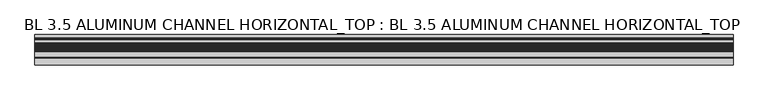
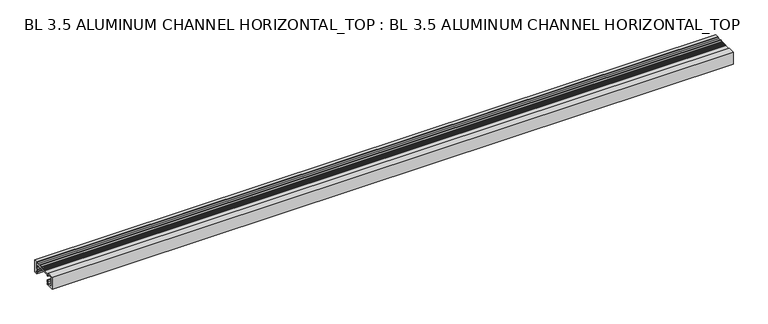
"""IFC4 building model written with IfcOpenShell, lengths in millimetres: furniture geometry, BL 3.5 ALUMINUM CHANNEL HORIZONTAL_TOP : BL 3.5 ALUMINUM CHANNEL HORIZONTAL_TOP."""

from ifc_helpers import new_model, si_unit, point, frame, frame_2d, origin, place, context, project, spatial, polyline, circle_curve, trimmed, segment, composite_curve, outline, extrude, source, transform, mapped, element, save
from ifc_brep_helpers import plane_surface, cylinder_surface, revolved_surface, advanced_brep


def bl_3_5_aluminum_channel_horizontal_top_bl_3_5_aluminum_7e82f569(model_context):
    return source(origin(), model_context, "Body", "SolidModel", [
        extrude(outline(composite_curve([segment(polyline([(44.4595257, 38.1000034), (44.4595257, 0.0), (34.9345249, 0.0), (34.9345249, 4.7625004), (35.8453962, 4.7625004)]), True, "CONTINUOUS"), segment(trimmed(circle_curve(frame_2d((35.8453962, 5.2907962)), 0.5282958), [point((35.8453962, 4.7625004))], [point((36.3579184, 5.4189267))], True, "CARTESIAN"), True, "CONTINUOUS"), segment(polyline([(36.3579184, 5.4189267), (34.9345249, 11.112501), (34.9345249, 15.8198414), (31.7362356, 15.8198414), (31.7362356, 22.169842), (33.3470247, 22.169842), (33.3470247, 17.4073416), (38.1095251, 17.4073416), (38.1095251, 34.9250031), (34.9345249, 38.1000034), (44.4595257, 38.1000034)]), True, "CONTINUOUS")], self_intersect=False)), frame((-1016.0, 0.0, 0.0), z_axis=(1.0, 0.0, 0.0), x_axis=(0.0, 1.0, 0.0)), (0.0, 0.0, 1.0), 2032.0),
        advanced_brep(
        [(1016.0, 32.1005075, 30.3384817), (1016.0, 34.2751275, 22.2226893), (1016.0, 34.0655108, 21.4473987), (1016.0, 38.090475, 19.7695416), (1016.0, 38.1095251, 34.9250031), (1016.0, 34.9345249, 38.1000034), (1016.0, 31.7796548, 38.1000034), (1016.0, 30.0393701, 35.0857417), (1016.0, 20.7415796, 35.0857417), (1016.0, 19.0012949, 38.1000034), (1016.0, 15.5906041, 38.1000034), (1016.0, 12.9324358, 35.4418351), (1016.0, 12.225329, 35.4418351), (1016.0, 11.3449358, 36.3222283), (1016.0, 10.637829, 36.3222283), (1016.0, 9.7574358, 35.4418351), (1016.0, 9.050329, 35.4418351), (1016.0, 8.1699358, 36.3222283), (1016.0, 7.462829, 36.3222283), (1016.0, 6.5824358, 35.4418351), (1016.0, 5.875329, 35.4418351), (1016.0, 4.9949358, 36.3222283), (1016.0, 4.287829, 36.3222283), (1016.0, 3.4074358, 35.4418351), (1016.0, 2.700329, 35.4418351), (1016.0, 1.8199357, 36.3222284), (1016.0, 1.112829, 36.3222284), (1016.0, 0.2324357, 35.4418351), (1016.0, -0.4746711, 35.4418351), (1016.0, -1.3550643, 36.3222283), (1016.0, -2.0621711, 36.3222283), (1016.0, -2.9425643, 35.4418351), (1016.0, -3.6496711, 35.4418351), (1016.0, -4.5300643, 36.3222283), (1016.0, -5.2371711, 36.3222283), (1016.0, -6.0204007, 35.5389988), (1016.0, -6.7275074, 35.2461056), (1016.0, -21.6536732, 35.2461056), (1016.0, -24.507571, 38.1000034), (1016.0, -44.4595257, 38.1000034), (1016.0, -44.4595257, 0.0), (1016.0, -19.5595255, 0.0), (1016.0, -19.0595255, 0.5), (1016.0, -19.0595255, 2.1927415), (1016.0, -20.2406255, 2.8746499), (1016.0, -21.6630255, 2.0534268), (1016.0, -22.2345255, 2.3833825), (1016.0, -22.2345255, 7.0059004), (1016.0, -21.6630255, 7.3358561), (1016.0, -20.2406255, 6.5146331), (1016.0, -19.0595255, 7.1965415), (1016.0, -19.0595255, 14.2069416), (1016.0, -22.3615255, 14.2069416), (1016.0, -25.4095256, 11.1589415), (1016.0, -25.4095256, 4.6819415), (1016.0, -38.9032757, 4.6819415), (1016.0, -38.9032757, 33.2823417), (1016.0, -25.4095256, 33.2823417), (1016.0, -25.4095256, 29.9803417), (1016.0, -22.3615255, 26.9323417), (1016.0, -19.0595255, 26.9323417), (1016.0, -19.0595255, 30.3384817), (-1016.0, 32.1005075, 30.3384817), (-1016.0, -19.0595255, 30.3384817), (-1016.0, -19.0595255, 26.9323417), (-1016.0, -22.3615255, 26.9323417), (-1016.0, -25.4095256, 29.9803417), (-1016.0, -25.4095256, 33.2823417), (-1016.0, -38.9032757, 33.2823417), (-1016.0, -38.9032757, 4.6819415), (-1016.0, -25.4095256, 4.6819415), (-1016.0, -25.4095256, 11.1589415), (-1016.0, -22.3615255, 14.2069416), (-1016.0, -19.0595255, 14.2069416), (-1016.0, -19.0595255, 7.1965415), (-1016.0, -20.2406255, 6.5146331), (-1016.0, -21.6630255, 7.3358561), (-1016.0, -22.2345255, 7.0059004), (-1016.0, -22.2345255, 2.3833825), (-1016.0, -21.6630255, 2.0534268), (-1016.0, -20.2406255, 2.8746499), (-1016.0, -19.0595255, 2.1927415), (-1016.0, -19.0595255, 0.5), (-1016.0, -19.5595255, 0.0), (-1016.0, -44.4595257, 0.0), (-1016.0, -44.4595257, 38.1000034), (-1016.0, -24.507571, 38.1000034), (-1016.0, -21.6536732, 35.2461056), (-1016.0, -6.7275074, 35.2461056), (-1016.0, -6.0204007, 35.5389988), (-1016.0, -5.2371711, 36.3222283), (-1016.0, -4.5300643, 36.3222283), (-1016.0, -3.6496711, 35.4418351), (-1016.0, -2.9425643, 35.4418351), (-1016.0, -2.0621711, 36.3222283), (-1016.0, -1.3550643, 36.3222283), (-1016.0, -0.4746711, 35.4418351), (-1016.0, 0.2324357, 35.4418351), (-1016.0, 1.112829, 36.3222284), (-1016.0, 1.8199357, 36.3222284), (-1016.0, 2.700329, 35.4418351), (-1016.0, 3.4074358, 35.4418351), (-1016.0, 4.287829, 36.3222283), (-1016.0, 4.9949358, 36.3222283), (-1016.0, 5.875329, 35.4418351), (-1016.0, 6.5824358, 35.4418351), (-1016.0, 7.462829, 36.3222283), (-1016.0, 8.1699358, 36.3222283), (-1016.0, 9.050329, 35.4418351), (-1016.0, 9.7574358, 35.4418351), (-1016.0, 10.637829, 36.3222283), (-1016.0, 11.3449358, 36.3222283), (-1016.0, 12.225329, 35.4418351), (-1016.0, 12.9324358, 35.4418351), (-1016.0, 15.5906041, 38.1000034), (-1016.0, 19.0012949, 38.1000034), (-1016.0, 20.7415796, 35.0857417), (-1016.0, 30.0393701, 35.0857417), (-1016.0, 31.7796548, 38.1000034), (-1016.0, 34.9345249, 38.1000034), (-1016.0, 38.1095251, 34.9250031), (-1016.0, 38.1095251, 19.7695416), (-1016.0, 34.0655108, 21.4473987), (-1016.0, 34.2751275, 22.2226893)],
        [
            (0, 1),
            (1, 2, circle_curve(frame((1016.0, 33.5023869, 22.0156341), z_axis=(-1.0, 0.0, 0.0), x_axis=(0.0, 0.0, 1.0)), 0.8)),
            (2, 3, circle_curve(frame((1016.0, 35.7282749, 19.7695416), z_axis=(1.0, 0.0, 0.0), x_axis=(0.0, 0.0, 1.0)), 2.3622)),
            (3, 4),
            (4, 5),
            (5, 6),
            (6, 7),
            (7, 8),
            (8, 9),
            (9, 10),
            (10, 11),
            (11, 12, circle_curve(frame((1016.0, 12.5788824, 35.7953885), z_axis=(-1.0, 0.0, 0.0), x_axis=(0.0, 0.0, 1.0)), 0.5)),
            (12, 13),
            (13, 14, circle_curve(frame((1016.0, 10.9913824, 35.968675), z_axis=(1.0, 0.0, 0.0), x_axis=(0.0, 0.0, 1.0)), 0.5)),
            (14, 15),
            (15, 16, circle_curve(frame((1016.0, 9.4038824, 35.7953885), z_axis=(-1.0, 0.0, 0.0), x_axis=(0.0, 0.0, 1.0)), 0.5)),
            (16, 17),
            (17, 18, circle_curve(frame((1016.0, 7.8163824, 35.968675), z_axis=(1.0, 0.0, 0.0), x_axis=(0.0, 0.0, 1.0)), 0.5)),
            (18, 19),
            (19, 20, circle_curve(frame((1016.0, 6.2288824, 35.7953885), z_axis=(-1.0, 0.0, 0.0), x_axis=(0.0, 0.0, 1.0)), 0.5)),
            (20, 21),
            (21, 22, circle_curve(frame((1016.0, 4.6413824, 35.968675), z_axis=(1.0, 0.0, 0.0), x_axis=(0.0, 0.0, 1.0)), 0.5)),
            (22, 23),
            (23, 24, circle_curve(frame((1016.0, 3.0538824, 35.7953885), z_axis=(-1.0, 0.0, 0.0), x_axis=(0.0, 0.0, 1.0)), 0.5)),
            (24, 25),
            (25, 26, circle_curve(frame((1016.0, 1.4663823, 35.968675), z_axis=(1.0, 0.0, 0.0), x_axis=(0.0, 0.0, 1.0)), 0.5)),
            (26, 27),
            (27, 28, circle_curve(frame((1016.0, -0.1211177, 35.7953885), z_axis=(-1.0, 0.0, 0.0), x_axis=(0.0, 0.0, 1.0)), 0.5)),
            (28, 29),
            (29, 30, circle_curve(frame((1016.0, -1.7086177, 35.968675), z_axis=(1.0, 0.0, 0.0), x_axis=(0.0, 0.0, 1.0)), 0.5)),
            (30, 31),
            (31, 32, circle_curve(frame((1016.0, -3.2961177, 35.7953885), z_axis=(-1.0, 0.0, 0.0), x_axis=(0.0, 0.0, 1.0)), 0.5)),
            (32, 33),
            (33, 34, circle_curve(frame((1016.0, -4.8836177, 35.968675), z_axis=(1.0, 0.0, 0.0), x_axis=(0.0, 0.0, 1.0)), 0.5)),
            (34, 35),
            (35, 36, circle_curve(frame((1016.0, -6.7275074, 36.2461056), z_axis=(-1.0, 0.0, 0.0), x_axis=(0.0, 0.0, 1.0)), 1.0)),
            (36, 37),
            (37, 38),
            (38, 39),
            (39, 40),
            (40, 41),
            (41, 42, circle_curve(frame((1016.0, -19.5595255, 0.5), z_axis=(1.0, 0.0, 0.0), x_axis=(0.0, 0.0, 1.0)), 0.5)),
            (42, 43),
            (43, 44, circle_curve(frame((1016.0, -19.8469255, 2.1927415), z_axis=(1.0, 0.0, 0.0), x_axis=(0.0, 0.0, 1.0)), 0.7874)),
            (44, 45),
            (45, 46, circle_curve(frame((1016.0, -21.8535255, 2.3833825), z_axis=(-1.0, 0.0, 0.0), x_axis=(0.0, 0.0, 1.0)), 0.381)),
            (46, 47),
            (47, 48, circle_curve(frame((1016.0, -21.8535255, 7.0059004), z_axis=(-1.0, 0.0, 0.0), x_axis=(0.0, 0.0, 1.0)), 0.381)),
            (48, 49),
            (49, 50, circle_curve(frame((1016.0, -19.8469255, 7.1965415), z_axis=(1.0, 0.0, 0.0), x_axis=(0.0, 0.0, 1.0)), 0.7874)),
            (50, 51),
            (51, 52),
            (52, 53),
            (53, 54),
            (54, 55),
            (55, 56),
            (56, 57),
            (57, 58),
            (58, 59),
            (59, 60),
            (60, 61),
            (61, 0),
            (62, 63),
            (63, 64),
            (64, 65),
            (65, 66),
            (66, 67),
            (67, 68),
            (68, 69),
            (69, 70),
            (70, 71),
            (71, 72),
            (72, 73),
            (73, 74),
            (74, 75, circle_curve(frame((-1016.0, -19.8469255, 7.1965415), z_axis=(-1.0, 0.0, 0.0), x_axis=(0.0, 0.0, 1.0)), 0.7874)),
            (75, 76),
            (76, 77, circle_curve(frame((-1016.0, -21.8535255, 7.0059004), z_axis=(1.0, 0.0, 0.0), x_axis=(0.0, 0.0, 1.0)), 0.381)),
            (77, 78),
            (78, 79, circle_curve(frame((-1016.0, -21.8535255, 2.3833825), z_axis=(1.0, 0.0, 0.0), x_axis=(0.0, 0.0, 1.0)), 0.381)),
            (79, 80),
            (80, 81, circle_curve(frame((-1016.0, -19.8469255, 2.1927415), z_axis=(-1.0, 0.0, 0.0), x_axis=(0.0, 0.0, 1.0)), 0.7874)),
            (81, 82),
            (82, 83, circle_curve(frame((-1016.0, -19.5595255, 0.5), z_axis=(-1.0, 0.0, 0.0), x_axis=(0.0, 0.0, 1.0)), 0.5)),
            (83, 84),
            (84, 85),
            (85, 86),
            (86, 87),
            (87, 88),
            (88, 89, circle_curve(frame((-1016.0, -6.7275074, 36.2461056), z_axis=(1.0, 0.0, 0.0), x_axis=(0.0, 0.0, 1.0)), 1.0)),
            (89, 90),
            (90, 91, circle_curve(frame((-1016.0, -4.8836177, 35.968675), z_axis=(-1.0, 0.0, 0.0), x_axis=(0.0, 0.0, 1.0)), 0.5)),
            (91, 92),
            (92, 93, circle_curve(frame((-1016.0, -3.2961177, 35.7953885), z_axis=(1.0, 0.0, 0.0), x_axis=(0.0, 0.0, 1.0)), 0.5)),
            (93, 94),
            (94, 95, circle_curve(frame((-1016.0, -1.7086177, 35.968675), z_axis=(-1.0, 0.0, 0.0), x_axis=(0.0, 0.0, 1.0)), 0.5)),
            (95, 96),
            (96, 97, circle_curve(frame((-1016.0, -0.1211177, 35.7953885), z_axis=(1.0, 0.0, 0.0), x_axis=(0.0, 0.0, 1.0)), 0.5)),
            (97, 98),
            (98, 99, circle_curve(frame((-1016.0, 1.4663823, 35.968675), z_axis=(-1.0, 0.0, 0.0), x_axis=(0.0, 0.0, 1.0)), 0.5)),
            (99, 100),
            (100, 101, circle_curve(frame((-1016.0, 3.0538824, 35.7953885), z_axis=(1.0, 0.0, 0.0), x_axis=(0.0, 0.0, 1.0)), 0.5)),
            (101, 102),
            (102, 103, circle_curve(frame((-1016.0, 4.6413824, 35.968675), z_axis=(-1.0, 0.0, 0.0), x_axis=(0.0, 0.0, 1.0)), 0.5)),
            (103, 104),
            (104, 105, circle_curve(frame((-1016.0, 6.2288824, 35.7953885), z_axis=(1.0, 0.0, 0.0), x_axis=(0.0, 0.0, 1.0)), 0.5)),
            (105, 106),
            (106, 107, circle_curve(frame((-1016.0, 7.8163824, 35.968675), z_axis=(-1.0, 0.0, 0.0), x_axis=(0.0, 0.0, 1.0)), 0.5)),
            (107, 108),
            (108, 109, circle_curve(frame((-1016.0, 9.4038824, 35.7953885), z_axis=(1.0, 0.0, 0.0), x_axis=(0.0, 0.0, 1.0)), 0.5)),
            (109, 110),
            (110, 111, circle_curve(frame((-1016.0, 10.9913824, 35.968675), z_axis=(-1.0, 0.0, 0.0), x_axis=(0.0, 0.0, 1.0)), 0.5)),
            (111, 112),
            (112, 113, circle_curve(frame((-1016.0, 12.5788824, 35.7953885), z_axis=(1.0, 0.0, 0.0), x_axis=(0.0, 0.0, 1.0)), 0.5)),
            (113, 114),
            (114, 115),
            (115, 116),
            (116, 117),
            (117, 118),
            (118, 119),
            (119, 120),
            (120, 121),
            (121, 122, circle_curve(frame((-1016.0, 35.7282749, 19.7695416), z_axis=(-1.0, 0.0, 0.0), x_axis=(0.0, 0.0, 1.0)), 2.3622)),
            (122, 123, circle_curve(frame((-1016.0, 33.5023869, 22.0156341), z_axis=(1.0, 0.0, 0.0), x_axis=(0.0, 0.0, 1.0)), 0.8)),
            (123, 62),
            (61, 63),
            (62, 0),
            (60, 64),
            (59, 65),
            (58, 66),
            (57, 67),
            (56, 68),
            (55, 69),
            (54, 70),
            (53, 71),
            (52, 72),
            (51, 73),
            (50, 74),
            (49, 75),
            (48, 76),
            (47, 77),
            (46, 78),
            (45, 79),
            (44, 80),
            (43, 81),
            (42, 82),
            (41, 83),
            (40, 84),
            (39, 85),
            (38, 86),
            (37, 87),
            (36, 88),
            (35, 89),
            (34, 90),
            (33, 91),
            (32, 92),
            (31, 93),
            (30, 94),
            (29, 95),
            (28, 96),
            (27, 97),
            (26, 98),
            (25, 99),
            (24, 100),
            (23, 101),
            (22, 102),
            (21, 103),
            (20, 104),
            (19, 105),
            (18, 106),
            (17, 107),
            (16, 108),
            (15, 109),
            (14, 110),
            (13, 111),
            (12, 112),
            (11, 113),
            (10, 114),
            (9, 115),
            (8, 116),
            (7, 117),
            (6, 118),
            (5, 119),
            (4, 120),
            (3, 121),
            (2, 122),
            (1, 123),
        ],
        [
            plane_surface(frame((1016.0, 32.1005075, 30.3384817), z_axis=(1.0, 0.0, 0.0), x_axis=(0.0, -1.0, 0.0))),
            plane_surface(frame((-1016.0, 32.1005075, 30.3384817), z_axis=(-1.0, 0.0, 0.0), x_axis=(0.0, 1.0, 0.0))),
            plane_surface(frame((1016.0, 32.1005075, 30.3384817), z_axis=(0.0, 0.0, -1.0), x_axis=(-1.0, 0.0, 0.0))),
            plane_surface(frame((1016.0, -19.0595255, 30.3384817), z_axis=(0.0, 1.0, 0.0), x_axis=(-1.0, 0.0, 0.0))),
            plane_surface(frame((1016.0, -19.0595255, 26.9323417), z_axis=(0.0, 0.0, -1.0), x_axis=(-1.0, 0.0, 0.0))),
            plane_surface(frame((1016.0, -22.3615255, 26.9323417), z_axis=(0.0, -0.7071067811923235, -0.7071067811807715), x_axis=(-1.0, 0.0, 0.0))),
            plane_surface(frame((1016.0, -25.4095256, 29.9803417), z_axis=(0.0, -1.0, 0.0), x_axis=(-1.0, 0.0, 0.0))),
            plane_surface(frame((1016.0, -25.4095256, 33.2823417), z_axis=(0.0, 0.0, -1.0), x_axis=(-1.0, 0.0, 0.0))),
            plane_surface(frame((1016.0, -38.9032757, 33.2823417), z_axis=(0.0, 1.0, 0.0), x_axis=(-1.0, 0.0, 0.0))),
            plane_surface(frame((1016.0, -38.9032757, 4.6819415), z_axis=(0.0, 0.0, 1.0), x_axis=(-1.0, 0.0, 0.0))),
            plane_surface(frame((1016.0, -25.4095256, 4.6819415), z_axis=(0.0, -1.0, 0.0), x_axis=(-1.0, 0.0, 0.0))),
            plane_surface(frame((1016.0, -25.4095256, 11.1589415), z_axis=(0.0, -0.7071067811862983, 0.7071067811867968), x_axis=(-1.0, 0.0, 0.0))),
            plane_surface(frame((1016.0, -22.3615255, 14.2069416), z_axis=(0.0, 0.0, 1.0), x_axis=(-1.0, 0.0, 0.0))),
            plane_surface(frame((1016.0, -19.0595255, 14.2069416), z_axis=(0.0, 1.0, 0.0), x_axis=(-1.0, 0.0, 0.0))),
            cylinder_surface(frame((-1016.0, -19.8469255, 7.1965415), z_axis=(1.0, 0.0, 0.0), x_axis=(0.0, 0.0, 1.0)), 0.7874),
            plane_surface(frame((1016.0, -20.2406255, 6.5146331), z_axis=(0.0, -0.49999999999554784, -0.8660254037870092), x_axis=(-1.0, 0.0, 0.0))),
            revolved_surface(polyline([(-1016.0, -21.8535255, 7.3869004), (1016.0, -21.8535255, 7.3869004)]), (-1016.0, -21.8535255, 7.0059004), (-1.0, 0.0, 0.0)),
            plane_surface(frame((1016.0, -22.2345255, 7.0059004), z_axis=(0.0, 1.0, 1.4055549138679522e-12), x_axis=(-1.0, 0.0, 0.0))),
            revolved_surface(polyline([(-1016.0, -21.8535255, 2.7643825), (1016.0, -21.8535255, 2.7643825)]), (-1016.0, -21.8535255, 2.3833825), (-1.0, 0.0, 0.0)),
            plane_surface(frame((1016.0, -21.6630255, 2.0534268), z_axis=(0.0, -0.4999999999903318, 0.8660254037900206), x_axis=(-1.0, 0.0, 0.0))),
            cylinder_surface(frame((-1016.0, -19.8469255, 2.1927415), z_axis=(1.0, 0.0, 0.0), x_axis=(0.0, 0.0, 1.0)), 0.7874),
            plane_surface(frame((1016.0, -19.0595255, 2.1927415), z_axis=(0.0, 1.0, -6.397120607996412e-12), x_axis=(-1.0, 0.0, 0.0))),
            cylinder_surface(frame((-1016.0, -19.5595255, 0.5), z_axis=(1.0, 0.0, 0.0), x_axis=(0.0, 0.0, 1.0)), 0.5),
            plane_surface(frame((1016.0, -19.5595255, 0.0), z_axis=(0.0, 0.0, -1.0), x_axis=(-1.0, 0.0, 0.0))),
            plane_surface(frame((1016.0, -44.4595257, 0.0), z_axis=(0.0, -1.0, 0.0), x_axis=(-1.0, 0.0, 0.0))),
            plane_surface(frame((1016.0, -44.4595257, 38.1000034), z_axis=(0.0, 0.0, 1.0), x_axis=(-1.0, 0.0, 0.0))),
            plane_surface(frame((1016.0, -24.507571, 38.1000034), z_axis=(0.0, 0.7071067811832462, 0.7071067811898489), x_axis=(-1.0, 0.0, 0.0))),
            plane_surface(frame((1016.0, -21.6536732, 35.2461056), z_axis=(0.0, 0.0, 1.0), x_axis=(-1.0, 0.0, 0.0))),
            revolved_surface(polyline([(-1016.0, -6.7275074, 37.2461056), (1016.0, -6.7275074, 37.2461056)]), (-1016.0, -6.7275074, 36.2461056), (-1.0, 0.0, 0.0)),
            plane_surface(frame((1016.0, -6.0204007, 35.5389988), z_axis=(0.0, -0.7071067818122907, 0.7071067805608043), x_axis=(-1.0, 0.0, 0.0))),
            cylinder_surface(frame((-1016.0, -4.8836177, 35.968675), z_axis=(1.0, 0.0, 0.0), x_axis=(0.0, 0.0, 1.0)), 0.5),
            plane_surface(frame((1016.0, -4.5300643, 36.3222283), z_axis=(0.0, 0.7071067816421379, 0.7071067807309571), x_axis=(-1.0, 0.0, 0.0))),
            revolved_surface(polyline([(-1016.0, -3.2961177, 36.2953885), (1016.0, -3.2961177, 36.2953885)]), (-1016.0, -3.2961177, 35.7953885), (-1.0, 0.0, 0.0)),
            plane_surface(frame((1016.0, -2.9425643, 35.4418351), z_axis=(0.0, -0.7071067832110424, 0.7071067791620527), x_axis=(-1.0, 0.0, 0.0))),
            cylinder_surface(frame((-1016.0, -1.7086177, 35.968675), z_axis=(1.0, 0.0, 0.0), x_axis=(0.0, 0.0, 1.0)), 0.5),
            plane_surface(frame((1016.0, -1.3550643, 36.3222283), z_axis=(0.0, 0.7071067809161783, 0.7071067814569169), x_axis=(-1.0, 0.0, 0.0))),
            revolved_surface(polyline([(-1016.0, -0.1211177, 36.2953885), (1016.0, -0.1211177, 36.2953885)]), (-1016.0, -0.1211177, 35.7953885), (-1.0, 0.0, 0.0)),
            plane_surface(frame((1016.0, 0.2324357, 35.4418351), z_axis=(0.0, -0.7071067792580819, 0.7071067831150133), x_axis=(-1.0, 0.0, 0.0))),
            cylinder_surface(frame((-1016.0, 1.4663823, 35.968675), z_axis=(1.0, 0.0, 0.0), x_axis=(0.0, 0.0, 1.0)), 0.5),
            plane_surface(frame((1016.0, 1.8199357, 36.3222284), z_axis=(0.0, 0.707106782578407, 0.7071067797946882), x_axis=(-1.0, 0.0, 0.0))),
            revolved_surface(polyline([(-1016.0, 3.0538824, 36.2953885), (1016.0, 3.0538824, 36.2953885)]), (-1016.0, 3.0538824, 35.7953885), (-1.0, 0.0, 0.0)),
            plane_surface(frame((1016.0, 3.4074358, 35.4418351), z_axis=(0.0, -0.7071067829389107, 0.7071067794341843), x_axis=(-1.0, 0.0, 0.0))),
            cylinder_surface(frame((-1016.0, 4.6413824, 35.968675), z_axis=(1.0, 0.0, 0.0), x_axis=(0.0, 0.0, 1.0)), 0.5),
            plane_surface(frame((1016.0, 4.9949358, 36.3222283), z_axis=(0.0, 0.7071067819005968, 0.7071067804724983), x_axis=(-1.0, 0.0, 0.0))),
            revolved_surface(polyline([(-1016.0, 6.2288824, 36.2953885), (1016.0, 6.2288824, 36.2953885)]), (-1016.0, 6.2288824, 35.7953885), (-1.0, 0.0, 0.0)),
            plane_surface(frame((1016.0, 6.5824358, 35.4418351), z_axis=(0.0, -0.7071067816929556, 0.7071067806801394), x_axis=(-1.0, 0.0, 0.0))),
            cylinder_surface(frame((-1016.0, 7.8163824, 35.968675), z_axis=(1.0, 0.0, 0.0), x_axis=(0.0, 0.0, 1.0)), 0.5),
            plane_surface(frame((1016.0, 8.1699358, 36.3222283), z_axis=(0.0, 0.7071067801015448, 0.7071067822715502), x_axis=(-1.0, 0.0, 0.0))),
            revolved_surface(polyline([(-1016.0, 9.4038824, 36.2953885), (1016.0, 9.4038824, 36.2953885)]), (-1016.0, 9.4038824, 35.7953885), (-1.0, 0.0, 0.0)),
            plane_surface(frame((1016.0, 9.7574358, 35.4418351), z_axis=(0.0, -0.7071067815614445, 0.7071067808116506), x_axis=(-1.0, 0.0, 0.0))),
            cylinder_surface(frame((-1016.0, 10.9913824, 35.968675), z_axis=(1.0, 0.0, 0.0), x_axis=(0.0, 0.0, 1.0)), 0.5),
            plane_surface(frame((1016.0, 11.3449358, 36.3222283), z_axis=(0.0, 0.7071067817889565, 0.7071067805841386), x_axis=(-1.0, 0.0, 0.0))),
            revolved_surface(polyline([(-1016.0, 12.5788824, 36.2953885), (1016.0, 12.5788824, 36.2953885)]), (-1016.0, 12.5788824, 35.7953885), (-1.0, 0.0, 0.0)),
            plane_surface(frame((1016.0, 12.9324358, 35.4418351), z_axis=(0.0, -0.7071067811862592, 0.7071067811868359), x_axis=(-1.0, 0.0, 0.0))),
            plane_surface(frame((1016.0, 15.5906041, 38.1000034), z_axis=(0.0, 0.0, 1.0), x_axis=(-1.0, 0.0, 0.0))),
            plane_surface(frame((1016.0, 19.0012949, 38.1000034), z_axis=(0.0, 0.8660254037830027, 0.500000000002487), x_axis=(-1.0, 0.0, 0.0))),
            plane_surface(frame((1016.0, 20.7415796, 35.0857417), z_axis=(0.0, 0.0, 1.0), x_axis=(-1.0, 0.0, 0.0))),
            plane_surface(frame((1016.0, 30.0393701, 35.0857417), z_axis=(0.0, -0.8660254037830055, 0.5000000000024823), x_axis=(-1.0, 0.0, 0.0))),
            plane_surface(frame((1016.0, 31.7796548, 38.1000034), z_axis=(0.0, 0.0, 1.0), x_axis=(-1.0, 0.0, 0.0))),
            plane_surface(frame((1016.0, 34.9345249, 38.1000034), z_axis=(0.0, 0.7071067811887171, 0.707106781184378), x_axis=(-1.0, 0.0, 0.0))),
            plane_surface(frame((1016.0, 38.1095251, 34.9250031), z_axis=(0.0, 1.0, 0.0), x_axis=(-1.0, 0.0, 0.0))),
            cylinder_surface(frame((-1016.0, 35.7282749, 19.7695416), z_axis=(1.0, 0.0, 0.0), x_axis=(0.0, 0.0, 1.0)), 2.3622),
            revolved_surface(polyline([(-1016.0, 33.5023869, 22.8156341), (1016.0, 33.5023869, 22.8156341)]), (-1016.0, 33.5023869, 22.0156341), (-1.0, 0.0, 0.0)),
            plane_surface(frame((1016.0, 34.2751275, 22.2226893), z_axis=(0.0, -0.9659258262898329, -0.2588190450996674), x_axis=(-1.0, 0.0, 0.0))),
        ],
        [
            (0, [[1, 2, 3, 4, 5, 6, 7, 8, 9, 10, 11, 12, 13, 14, 15, 16, 17, 18, 19, 20, 21, 22, 23, 24, 25, 26, 27, 28, 29, 30, 31, 32, 33, 34, 35, 36, 37, 38, 39, 40, 41, 42, 43, 44, 45, 46, 47, 48, 49, 50, 51, 52, 53, 54, 55, 56, 57, 58, 59, 60, 61, 62]]),
            (1, [[63, 64, 65, 66, 67, 68, 69, 70, 71, 72, 73, 74, 75, 76, 77, 78, 79, 80, 81, 82, 83, 84, 85, 86, 87, 88, 89, 90, 91, 92, 93, 94, 95, 96, 97, 98, 99, 100, 101, 102, 103, 104, 105, 106, 107, 108, 109, 110, 111, 112, 113, 114, 115, 116, 117, 118, 119, 120, 121, 122, 123, 124]]),
            (2, [[125, -63, 126, -62]]),
            (3, [[127, -64, -125, -61]]),
            (4, [[128, -65, -127, -60]]),
            (5, [[129, -66, -128, -59]]),
            (6, [[130, -67, -129, -58]]),
            (7, [[131, -68, -130, -57]]),
            (8, [[132, -69, -131, -56]]),
            (9, [[133, -70, -132, -55]]),
            (10, [[134, -71, -133, -54]]),
            (11, [[135, -72, -134, -53]]),
            (12, [[136, -73, -135, -52]]),
            (13, [[137, -74, -136, -51]]),
            (14, [[138, -75, -137, -50]]),
            (15, [[139, -76, -138, -49]]),
            (16, [[140, -77, -139, -48]]),
            (17, [[141, -78, -140, -47]]),
            (18, [[142, -79, -141, -46]]),
            (19, [[143, -80, -142, -45]]),
            (20, [[144, -81, -143, -44]]),
            (21, [[145, -82, -144, -43]]),
            (22, [[146, -83, -145, -42]]),
            (23, [[147, -84, -146, -41]]),
            (24, [[148, -85, -147, -40]]),
            (25, [[149, -86, -148, -39]]),
            (26, [[150, -87, -149, -38]]),
            (27, [[151, -88, -150, -37]]),
            (28, [[152, -89, -151, -36]]),
            (29, [[153, -90, -152, -35]]),
            (30, [[154, -91, -153, -34]]),
            (31, [[155, -92, -154, -33]]),
            (32, [[156, -93, -155, -32]]),
            (33, [[157, -94, -156, -31]]),
            (34, [[158, -95, -157, -30]]),
            (35, [[159, -96, -158, -29]]),
            (36, [[160, -97, -159, -28]]),
            (37, [[161, -98, -160, -27]]),
            (38, [[162, -99, -161, -26]]),
            (39, [[163, -100, -162, -25]]),
            (40, [[164, -101, -163, -24]]),
            (41, [[165, -102, -164, -23]]),
            (42, [[166, -103, -165, -22]]),
            (43, [[167, -104, -166, -21]]),
            (44, [[168, -105, -167, -20]]),
            (45, [[169, -106, -168, -19]]),
            (46, [[170, -107, -169, -18]]),
            (47, [[171, -108, -170, -17]]),
            (48, [[172, -109, -171, -16]]),
            (49, [[173, -110, -172, -15]]),
            (50, [[174, -111, -173, -14]]),
            (51, [[175, -112, -174, -13]]),
            (52, [[176, -113, -175, -12]]),
            (53, [[177, -114, -176, -11]]),
            (54, [[178, -115, -177, -10]]),
            (55, [[179, -116, -178, -9]]),
            (56, [[180, -117, -179, -8]]),
            (57, [[181, -118, -180, -7]]),
            (58, [[182, -119, -181, -6]]),
            (59, [[183, -120, -182, -5]]),
            (60, [[184, -121, -183, -4]]),
            (61, [[185, -122, -184, -3]]),
            (62, [[186, -123, -185, -2]]),
            (63, [[-126, -124, -186, -1]]),
        ],
    ),
    ])


if __name__ == "__main__":
    model = new_model("IFC4")
    model_context = context("Model", 3, world=origin())
    ifc_project = project(units=[si_unit("LENGTHUNIT", "METRE", prefix="MILLI")], contexts=[model_context])
    site = spatial("IfcSite", under=ifc_project)
    building = spatial("IfcBuilding", under=site)
    placement = place(None, origin())
    bl_3_5_aluminum_channel_horizontal_top_bl_3_5_aluminum_shape = bl_3_5_aluminum_channel_horizontal_top_bl_3_5_aluminum_7e82f569(model_context)
    element("IfcFurniture", 1, ObjectType="BL 3.5 ALUMINUM CHANNEL HORIZONTAL_TOP : BL 3.5 ALUMINUM CHANNEL HORIZONTAL_TOP", at=placement, inside=building, context=model_context, shape_type="MappedRepresentation", body=[
        mapped(bl_3_5_aluminum_channel_horizontal_top_bl_3_5_aluminum_shape, transform((0.0, 0.0, 0.0), x_axis=(1.0, 0.0, 0.0), y_axis=(0.0, 1.0, 0.0), z_axis=(0.0, 0.0, 1.0))),
    ])
    save(model, "model.ifc")
